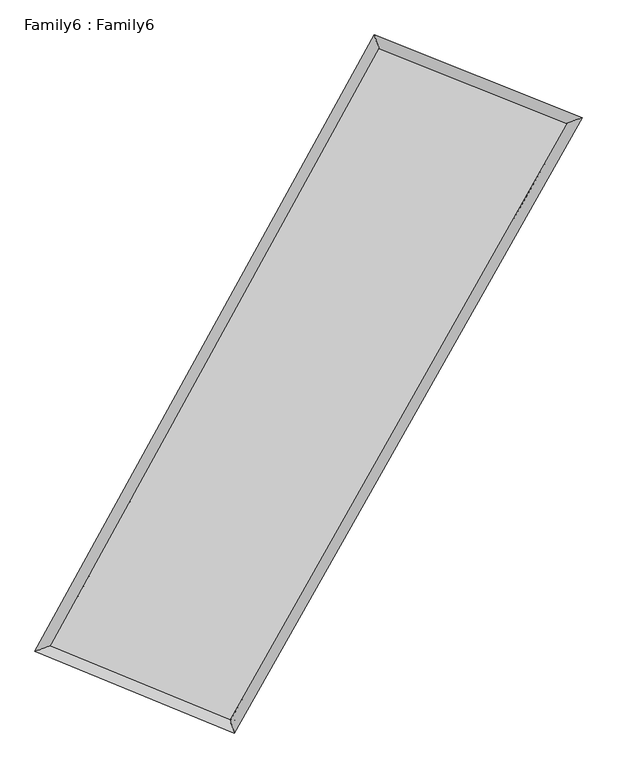
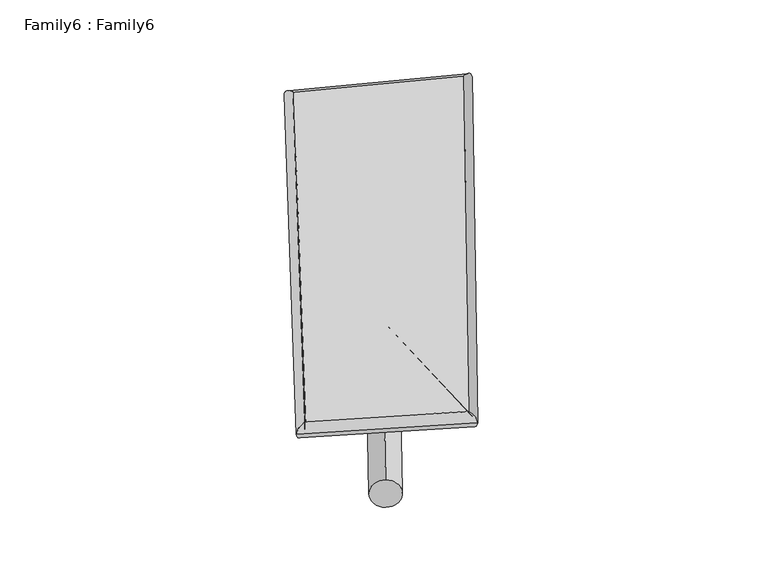
"""IFC4 building model written with IfcOpenShell, lengths in millimetres: plate geometry, Family6 : Family6."""

from ifc_helpers import new_model, si_unit, point, frame, origin, origin_2d, place, context, project, spatial, circle_curve, ellipse_curve, trimmed, segment, composite_curve, outline, extrude, source, transform, mapped, element, save
from ifc_brep_helpers import plane_surface, cylinder_surface, spline_surface, advanced_brep


def family6_family6_a5eedb87(model_context):
    return source(origin(), model_context, "Body", "SolidModel", [
        extrude(outline(composite_curve([segment(trimmed(circle_curve(origin_2d(), 76.2), [point((-75.4341514, -10.7763073))], [point((75.4341514, 10.7763073))], False, "CARTESIAN"), True, "CONTINUOUS"), segment(trimmed(circle_curve(origin_2d(), 76.2), [point((75.4341514, 10.7763073))], [point((-75.4341514, -10.7763073))], False, "CARTESIAN"), True, "CONTINUOUS")], self_intersect=False)), frame((9144.0, 9144.0, 0.0), z_axis=(0.6823739433034159, 0.6821166719630228, 0.2628357801568055), x_axis=(-0.6735954534976502, 0.7264058678697441, -0.13639530839328434)), (0.0, 0.0, 1.0), 5889.4493934),
        extrude(outline(composite_curve([segment(trimmed(circle_curve(origin_2d(), 76.2), [point((-53.8815367, 53.8815367))], [point((53.8815367, -53.8815367))], False, "CARTESIAN"), True, "CONTINUOUS"), segment(trimmed(circle_curve(origin_2d(), 76.2), [point((53.8815367, -53.8815367))], [point((-53.8815367, 53.8815367))], False, "CARTESIAN"), True, "CONTINUOUS")], self_intersect=False)), frame((9144.0, 9144.0, 0.0), z_axis=(-0.6757854483783248, -0.6879593132971284, 0.26462428272524474), x_axis=(0.6365644483931842, -0.3637085299387137, 0.6800748549179724)), (0.0, 0.0, 1.0), 5852.0957243),
        extrude(outline(composite_curve([segment(trimmed(circle_curve(origin_2d(), 76.2), [point((-53.8815367, -53.8815367))], [point((53.8815367, 53.8815367))], False, "CARTESIAN"), True, "CONTINUOUS"), segment(trimmed(circle_curve(origin_2d(), 76.2), [point((53.8815367, 53.8815367))], [point((-53.8815367, -53.8815367))], False, "CARTESIAN"), True, "CONTINUOUS")], self_intersect=False)), frame((9144.0, 9144.0, 0.0), z_axis=(0.2021321165647599, 0.9407352830220097, 0.2723228501807174), x_axis=(-0.8514861417484081, 0.30618677237604286, -0.4257006117359375)), (0.0, 0.0, 1.0), 5503.4024219),
        extrude(outline(composite_curve([segment(trimmed(circle_curve(origin_2d(), 76.2), [point((-75.4341514, 10.7763074))], [point((75.4341514, -10.7763074))], False, "CARTESIAN"), True, "CONTINUOUS"), segment(trimmed(circle_curve(origin_2d(), 76.2), [point((75.4341514, -10.7763074))], [point((-75.4341514, 10.7763074))], False, "CARTESIAN"), True, "CONTINUOUS")], self_intersect=False)), frame((9144.0, 9144.0, 0.0), z_axis=(-0.21285002841437922, -0.9384664454696813, 0.2719845512735968), x_axis=(0.8954892989728608, -0.07600407953756017, 0.4385456593317767)), (0.0, 0.0, 1.0), 5507.1931054),
        advanced_brep(
        [(4973.4473591, 5041.955474, 1545.8303756), (4973.3979984, 5041.8696121, 1552.9264598), (5405.0303749, 5194.0370144, 1551.3828914), (10324.94375, 14129.8210071, 1502.9288117), (10187.8850097, 14512.6686629, 1494.4756548), (5405.0797357, 5194.1228762, 1544.2868072), (12944.3127156, 13084.4200401, 1547.3203033), (13381.3008972, 13238.1631996, 1548.5957487), (7905.2707729, 4167.7285163, 1498.7000477), (8038.3168091, 3783.6396073, 1497.0428434)],
        [
            (0, 1, ellipse_curve(frame((5189.238867, 5117.9962442, 1548.6066335), z_axis=(-0.3324404132787639, 0.9430803705572972, 0.009098697080116425), x_axis=(-0.9429766594444635, -0.33254359174708986, 0.014483760937870148)), 228.9158646, 152.4)),
            (1, 2, ellipse_curve(frame((5189.238867, 5117.9962442, 1548.6066335), z_axis=(-0.3324404132787639, 0.9430803705572972, 0.009098697080116425), x_axis=(-0.9429766594444635, -0.33254359174708986, 0.014483760937870148)), 228.9158646, 152.4)),
            (2, 3),
            (3, 4, ellipse_curve(frame((10256.4143799, 14321.244835, 1498.7022332), z_axis=(-0.9414099131265758, -0.3371848533674975, -0.007331447780105331), x_axis=(0.3370467682740917, -0.9413607781210971, 0.015471309292797638)), 203.366988, 152.4)),
            (4, 0),
            (2, 5, ellipse_curve(frame((5189.238867, 5117.9962442, 1548.6066335), z_axis=(-0.3324404132787639, 0.9430803705572972, 0.009098697080116425), x_axis=(-0.9429766594444635, -0.33254359174708986, 0.014483760937870148)), 228.9158646, 152.4)),
            (5, 0, ellipse_curve(frame((5189.238867, 5117.9962442, 1548.6066335), z_axis=(-0.3324404132787639, 0.9430803705572972, 0.009098697080116425), x_axis=(-0.9429766594444635, -0.33254359174708986, 0.014483760937870148)), 228.9158646, 152.4)),
            (4, 3, ellipse_curve(frame((10256.4143799, 14321.244835, 1498.7022332), z_axis=(-0.9414099131265758, -0.3371848533674975, -0.007331447780105331), x_axis=(0.3370467682740917, -0.9413607781210971, 0.015471309292797638)), 203.366988, 152.4)),
            (3, 6),
            (6, 7, ellipse_curve(frame((13162.8068064, 13161.2916199, 1547.958026), z_axis=(-0.3318500003461419, 0.9432951843915428, -0.008352985932643124), x_axis=(-0.9432031323279028, -0.3319380527131208, -0.013600747327044084)), 231.6410725, 152.4)),
            (7, 4),
            (7, 6, ellipse_curve(frame((13162.8068064, 13161.2916199, 1547.958026), z_axis=(-0.3318500003461419, 0.9432951843915428, -0.008352985932643124), x_axis=(-0.9432031323279028, -0.3319380527131208, -0.013600747327044084)), 231.6410725, 152.4)),
            (6, 8),
            (8, 9, ellipse_curve(frame((7971.793791, 3975.6840618, 1497.8714456), z_axis=(0.9448743150023602, 0.3273335176121626, -0.008080661883102143), x_axis=(-0.32717584114295845, 0.9448223365795605, 0.01633160349559097)), 203.2532959, 152.4)),
            (9, 7),
            (9, 8, ellipse_curve(frame((7971.793791, 3975.6840618, 1497.8714456), z_axis=(0.9448743150023602, 0.3273335176121626, -0.008080661883102143), x_axis=(-0.32717584114295845, 0.9448223365795605, 0.01633160349559097)), 203.2532959, 152.4)),
            (8, 5),
            (1, 9),
        ],
        [
            cylinder_surface(frame((5189.238867, 5117.9962442, 1548.6066335), z_axis=(-0.48230706010640856, -0.8759893475207858, 0.004750031749499074), x_axis=(-0.875810475331385, 0.48208094921550904, -0.02353656099109394)), 152.4),
            cylinder_surface(frame((10256.4143799, 14321.244835, 1498.7022332), z_axis=(-0.9286482987935589, 0.37062736952894826, -0.01573817346077512), x_axis=(0.3708399783356907, 0.9285938279934696, -0.01382798179125295)), 152.4),
            cylinder_surface(frame((13162.8068064, 13161.2916199, 1547.958026), z_axis=(0.4919905031614117, 0.8705876234413529, 0.004747073805841259), x_axis=(0.8705996703026898, -0.49199050316141174, -0.0012485462862111103)), 152.4),
            cylinder_surface(frame((7971.793791, 3975.6840618, 1497.8714456), z_axis=(0.9249493301191449, -0.3797160942778604, -0.016864888333809138), x_axis=(-0.3796058174289656, -0.9251001279438464, 0.009443339047483321)), 152.4),
        ],
        [
            (0, [[1, 2, 3, 4, 5]]),
            (0, [[6, 7, -5, 8, -3]]),
            (1, [[-4, 9, 10, 11]]),
            (1, [[-8, -11, 12, -9]]),
            (2, [[-10, 13, 14, 15]]),
            (2, [[-12, -15, 16, -13]]),
            (3, [[-14, 17, -6, -2, 18]]),
            (3, [[-16, -18, -1, -7, -17]]),
        ],
    ),
        extrude(outline(composite_curve([segment(trimmed(circle_curve(origin_2d(), 304.8), [point((1e-07, 304.7999999))], [point((0.0, -304.8))], False, "CARTESIAN"), True, "CONTINUOUS"), segment(trimmed(circle_curve(origin_2d(), 304.8), [point((0.0, -304.8))], [point((1e-07, 304.7999999))], False, "CARTESIAN"), True, "CONTINUOUS")], self_intersect=False)), frame((11738.2179382, 13748.3093382, -0.0369842), z_axis=(-0.49087832672293297, -0.8712281379206709, 6.998147831275604e-06), x_axis=(-0.8712281379468431, 0.49087832672293297, -1.8358205650934502e-06)), (0.0, 0.0, 1.0), 10569.6984241),
        advanced_brep(
        [(5189.238867, 5117.9962442, 1548.6066335), (7971.793791, 3975.6840618, 1497.8714456), (7971.7833392, 3975.6871887, 1650.2714452), (5189.2284152, 5117.999371, 1701.0066331), (13162.8068064, 13161.2916199, 1547.958026), (13162.7963546, 13161.2947467, 1700.3580256), (10256.4143799, 14321.244835, 1498.7022332), (10256.403928, 14321.2479618, 1651.1022328)],
        [
            (0, 1),
            (1, 2),
            (2, 3),
            (3, 0),
            (1, 4),
            (4, 5),
            (5, 2),
            (4, 6),
            (6, 7),
            (7, 5),
            (6, 0),
            (3, 7),
        ],
        [
            plane_surface(frame((6580.516329, 4546.840153, 1523.2390395), z_axis=(-0.3797702163032441, -0.9250808520119052, -7.0650744851061265e-06), x_axis=(0.924949330119145, -0.3797160942778606, -0.01686488833380914))),
            plane_surface(frame((10567.3002987, 8568.4878409, 1522.9147358), z_axis=(0.870597267680316, -0.49199633396535764, 6.980126780085829e-05), x_axis=(0.49199050316141174, 0.870587623441353, 0.004747073805841263))),
            plane_surface(frame((11709.6105931, 13741.2682274, 1523.3301296), z_axis=(0.37067318535762067, 0.9287633657807107, 6.36563153569563e-06), x_axis=(-0.9286482987935589, 0.37062736952894837, -0.01573817346077512))),
            plane_surface(frame((7722.8266234, 9719.6205396, 1523.6544334), z_axis=(-0.875999388240431, 0.48231220895407734, -6.997306145780681e-05), x_axis=(-0.48230706010640856, -0.8759893475207858, 0.004750031749499072))),
            spline_surface(1, 1, [[(7971.7833392, 3975.6871887, 1650.2714452), (5189.2284152, 5117.999371, 1701.0066331)], [(13162.7963546, 13161.2947467, 1700.3580256), (10256.403928, 14321.2479618, 1651.1022328)]], [2, 2], [2, 2], [0.0, 1.0], [0.0, 1.0]),
            spline_surface(1, 1, [[(10256.4143799, 14321.244835, 1498.7022332), (5189.238867, 5117.9962442, 1548.6066335)], [(13162.8068064, 13161.2916199, 1547.958026), (7971.793791, 3975.6840618, 1497.8714456)]], [2, 2], [2, 2], [0.0, 1.0], [0.0, 1.0]),
        ],
        [
            (0, [[1, 2, 3, 4]]),
            (1, [[5, 6, 7, -2]]),
            (2, [[8, 9, 10, -6]]),
            (3, [[11, -4, 12, -9]]),
            (4, [[-3, -7, -10, -12]]),
            (5, [[-11, -8, -5, -1]]),
        ],
    ),
    ])


if __name__ == "__main__":
    model = new_model("IFC4")
    model_context = context("Model", 3, world=origin())
    ifc_project = project(units=[si_unit("LENGTHUNIT", "METRE", prefix="MILLI")], contexts=[model_context])
    site = spatial("IfcSite", under=ifc_project)
    building = spatial("IfcBuilding", under=site)
    placement = place(None, origin())
    family6_family6_shape = family6_family6_a5eedb87(model_context)
    element("IfcPlate", 1, ObjectType="Family6 : Family6", at=placement, inside=building, context=model_context, shape_type="MappedRepresentation", body=[
        mapped(family6_family6_shape, transform((0.0, 0.0, 0.0), x_axis=(1.0, 0.0, 0.0), y_axis=(0.0, 1.0, 0.0), z_axis=(0.0, 0.0, 1.0))),
    ])
    save(model, "model.ifc")
